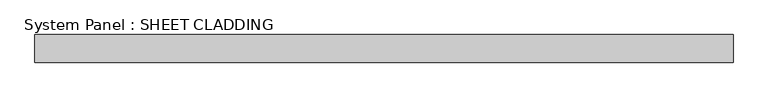
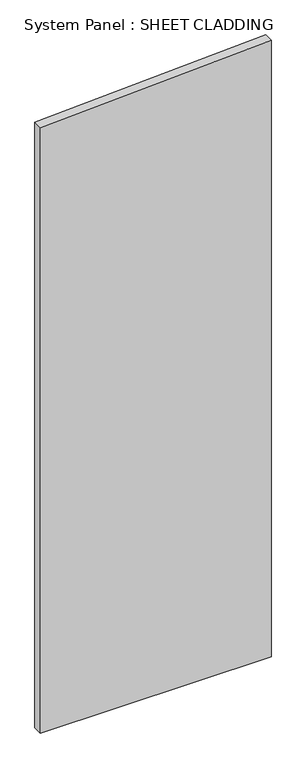
"""IFC4 building model written with IfcOpenShell, lengths in millimetres: plate geometry, System Panel : SHEET CLADDING."""

from ifc_helpers import new_model, si_unit, frame, origin, place, context, project, spatial, polyline, outline, extrude, source, transform, mapped, element, save


def system_panel_sheet_cladding_90148436(model_context):
    return source(origin(), model_context, "Body", "SweptSolid", [
        extrude(outline(polyline([(0.0, -750.0), (0.0, 750.0), (4235.1, 750.0), (4160.1, -750.0), (0.0, -750.0)])), frame((0.0, -49.5, 0.0), z_axis=(0.0, 1.0, 0.0), x_axis=(0.0, 0.0, 1.0)), (0.0, 0.0, 1.0), 60.0),
    ])


if __name__ == "__main__":
    model = new_model("IFC4")
    model_context = context("Model", 3, world=origin())
    ifc_project = project(units=[si_unit("LENGTHUNIT", "METRE", prefix="MILLI")], contexts=[model_context])
    site = spatial("IfcSite", under=ifc_project)
    building = spatial("IfcBuilding", under=site)
    placement = place(None, origin())
    system_panel_sheet_cladding_shape = system_panel_sheet_cladding_90148436(model_context)
    element("IfcPlate", 1, ObjectType="System Panel : SHEET CLADDING", at=placement, inside=building, context=model_context, shape_type="MappedRepresentation", body=[
        mapped(system_panel_sheet_cladding_shape, transform((0.0, 0.0, 0.0), x_axis=(1.0, 0.0, 0.0), y_axis=(0.0, 1.0, 0.0), z_axis=(0.0, 0.0, 1.0))),
    ])
    save(model, "model.ifc")
